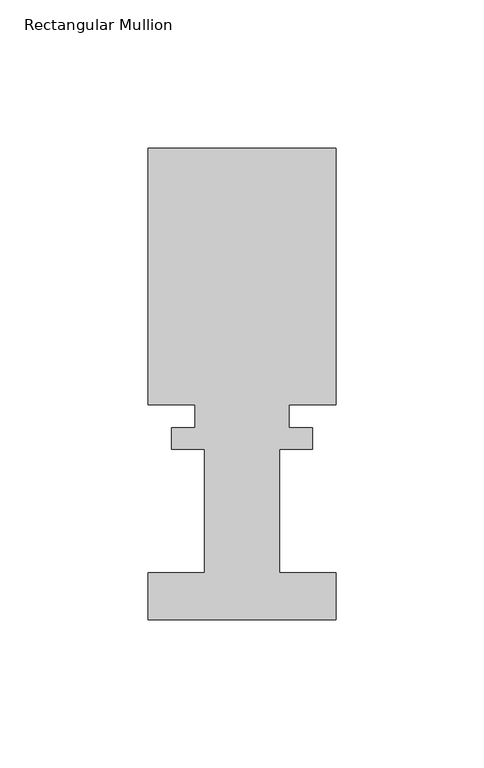
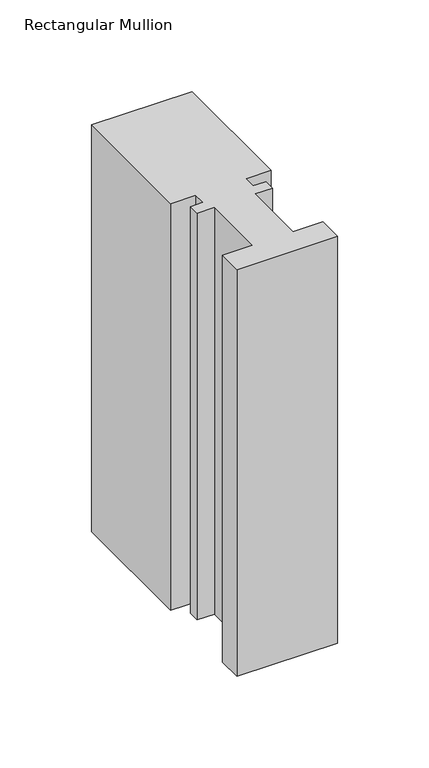
"""IFC4 building model written with IfcOpenShell, lengths in millimetres: member geometry, Rectangular Mullion."""

from ifc_helpers import new_model, si_unit, frame, origin, place, context, project, spatial, polyline, outline, extrude, source, transform, mapped, element, save


def rectangular_mullion_375daef9(model_context):
    return source(origin(), model_context, "Body", "SweptSolid", [
        extrude(outline(polyline([(31.75, 101.6992188), (31.75, 15.1614188), (15.875, 15.1614188), (15.875, 7.2620187), (23.8252, 7.2620187), (23.8252, 0.0992187), (12.7, 0.0992187), (12.7, -41.5602697), (31.75, -41.5602697), (31.75, -57.4317813), (-31.75, -57.4317813), (-31.75, -41.5602697), (-12.7, -41.5602697), (-12.7, 0.0992187), (-23.8252, 0.0992187), (-23.8252, 7.2620188), (-15.875, 7.2620188), (-15.875, 15.1614188), (-31.75, 15.1614188), (-31.75, 101.6992188), (31.75, 101.6992188)])), frame((0.0, 0.0, -271.3076468), z_axis=(0.0, 0.0, 1.0), x_axis=(1.0, 0.0, 0.0)), (0.0, 0.0, 1.0), 271.3076468),
    ])


if __name__ == "__main__":
    model = new_model("IFC4")
    model_context = context("Model", 3, world=origin())
    ifc_project = project(units=[si_unit("LENGTHUNIT", "METRE", prefix="MILLI")], contexts=[model_context])
    site = spatial("IfcSite", under=ifc_project)
    building = spatial("IfcBuilding", under=site)
    placement = place(None, origin())
    rectangular_mullion_shape = rectangular_mullion_375daef9(model_context)
    element("IfcMember", 1, ObjectType="Rectangular Mullion", at=placement, inside=building, context=model_context, shape_type="MappedRepresentation", body=[
        mapped(rectangular_mullion_shape, transform((0.0, 0.0, 0.0), x_axis=(1.0, 0.0, 0.0), y_axis=(0.0, 1.0, 0.0), z_axis=(0.0, 0.0, 1.0))),
    ])
    save(model, "model.ifc")
